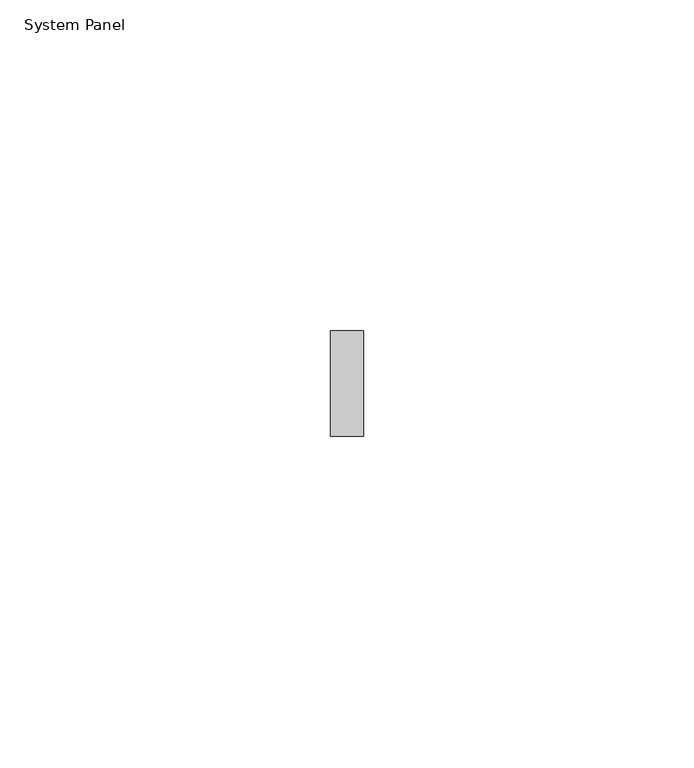
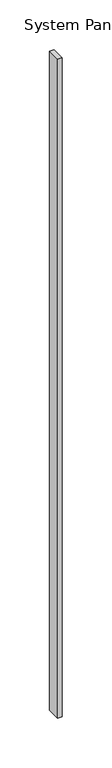
"""IFC4 building model written with IfcOpenShell, lengths in millimetres: plate geometry, System Panel."""

from ifc_helpers import new_model, si_unit, origin, origin_with_axes, place, context, project, spatial, polyline, outline, extrude, source, transform, mapped, element, save


def system_panel_d54e6e17(model_context):
    return source(origin(), model_context, "Body", "SweptSolid", [
        extrude(outline(polyline([(2.5, -8.0), (-2.5, -8.0), (-2.5, 8.0), (2.5, 8.0), (2.5, -8.0)])), origin_with_axes(), (0.0, 0.0, 1.0), 805.0),
    ])


if __name__ == "__main__":
    model = new_model("IFC4")
    model_context = context("Model", 3, world=origin())
    ifc_project = project(units=[si_unit("LENGTHUNIT", "METRE", prefix="MILLI")], contexts=[model_context])
    site = spatial("IfcSite", under=ifc_project)
    building = spatial("IfcBuilding", under=site)
    placement = place(None, origin())
    system_panel_shape = system_panel_d54e6e17(model_context)
    element("IfcPlate", 1, ObjectType="System Panel", at=placement, inside=building, context=model_context, shape_type="MappedRepresentation", body=[
        mapped(system_panel_shape, transform((0.0, 0.0, 0.0), x_axis=(1.0, 0.0, 0.0), y_axis=(0.0, 1.0, 0.0), z_axis=(0.0, 0.0, 1.0))),
    ])
    save(model, "model.ifc")
